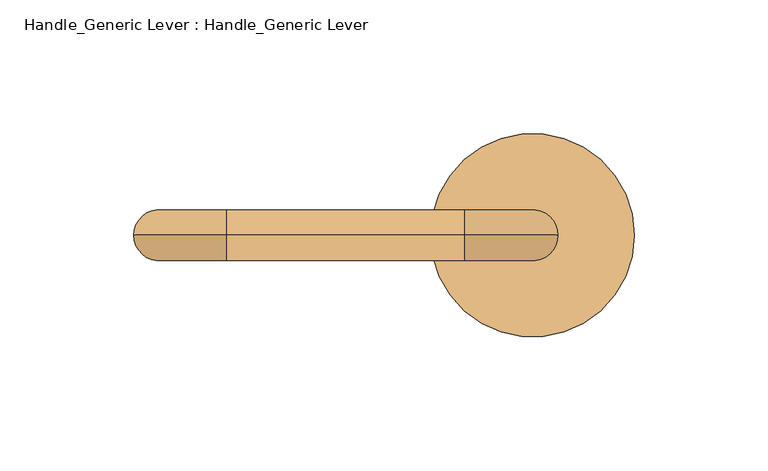
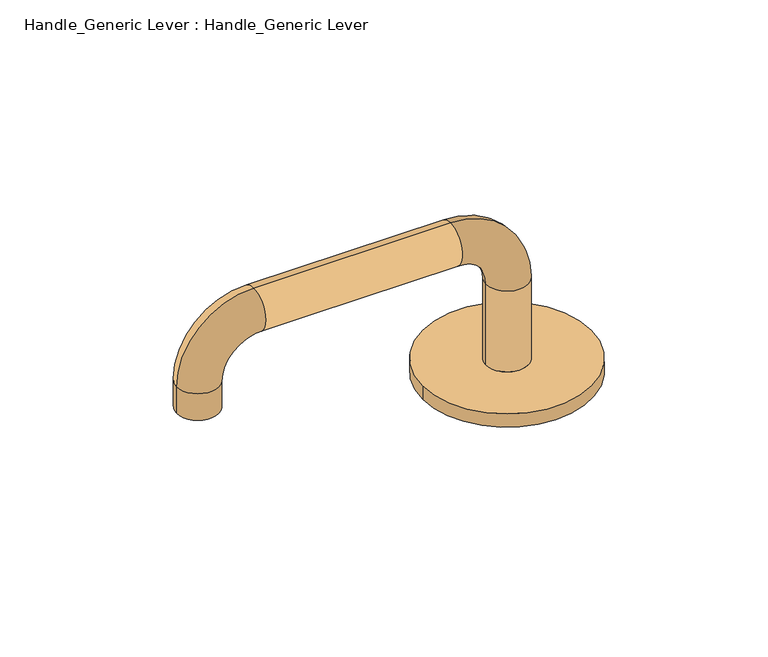
"""IFC4 building model written with IfcOpenShell, lengths in millimetres: door geometry, Handle_Generic Lever : Handle_Generic Lever."""

from ifc_helpers import new_model, si_unit, point, frame, origin, origin_with_axes, place, context, project, spatial, circle_curve, ellipse_curve, trimmed, source, transform, mapped, element, save
from ifc_brep_helpers import plane_surface, cylinder_surface, revolved_surface, advanced_brep


def handle_generic_lever_handle_generic_lever_36561c24(model_context):
    return source(origin(), model_context, "Body", "AdvancedBrep", [
        advanced_brep(
        [(-38.1, 0.0, 0.0), (38.1, 0.0, 0.0), (-9.525, 0.0, 44.8337088), (-9.525, 0.0, 6.35), (9.525, 0.0, 6.35), (9.525, 0.0, 44.8337088), (-25.4, 0.0, 79.7587088), (-25.4, 0.0, 60.7087088), (-114.3, 0.0, 79.7587088), (-114.3, 0.0, 60.7087088), (-149.225, 0.0, 44.8337088), (-130.175, 0.0, 44.8337088), (-130.175, 0.0, 32.1337088), (-149.225, 0.0, 32.1337088), (-38.1, 0.0, 6.35), (38.1, 0.0, 6.35)],
        [
            (0, 1, circle_curve(frame((0.0, 0.0, 0.0), z_axis=(0.0, 0.0, -1.0), x_axis=(1.0, 0.0, 0.0)), 38.1)),
            (1, 0, circle_curve(frame((0.0, 0.0, 0.0), z_axis=(0.0, 0.0, -1.0), x_axis=(1.0, 0.0, 0.0)), 38.1)),
            (2, 3),
            (3, 4, circle_curve(frame((0.0, 0.0, 6.35), z_axis=(0.0, 0.0, 1.0), x_axis=(1.0, 0.0, 0.0)), 9.525)),
            (4, 5),
            (5, 2, circle_curve(frame((0.0, 0.0, 44.8337088), z_axis=(0.0, 0.0, -1.0), x_axis=(1.0, 0.0, 0.0)), 9.525)),
            (4, 3, circle_curve(frame((0.0, 0.0, 6.35), z_axis=(0.0, 0.0, 1.0), x_axis=(1.0, 0.0, 0.0)), 9.525)),
            (2, 5, circle_curve(frame((0.0, 0.0, 44.8337088), z_axis=(0.0, 0.0, -1.0), x_axis=(1.0, 0.0, 0.0)), 9.525)),
            (5, 6, circle_curve(frame((-25.4, 0.0, 44.8337088), z_axis=(0.0, -1.0, 0.0), x_axis=(1.0, 0.0, 0.0)), 34.925)),
            (6, 7, circle_curve(frame((-25.4, 0.0, 70.2337088), z_axis=(1.0, 0.0, 0.0), x_axis=(0.0, 0.0, 1.0)), 9.525)),
            (7, 2, circle_curve(frame((-25.4, 0.0, 44.8337088), z_axis=(0.0, 1.0, 0.0), x_axis=(1.0, 0.0, 0.0)), 15.875)),
            (7, 6, circle_curve(frame((-25.4, 0.0, 70.2337088), z_axis=(1.0, 0.0, 0.0), x_axis=(0.0, 0.0, 1.0)), 9.525)),
            (6, 8),
            (8, 9, circle_curve(frame((-114.3, 0.0, 70.2337088), z_axis=(1.0, 0.0, 0.0), x_axis=(0.0, 0.0, 1.0)), 9.525)),
            (9, 7),
            (9, 8, circle_curve(frame((-114.3, 0.0, 70.2337088), z_axis=(1.0, 0.0, 0.0), x_axis=(0.0, 0.0, 1.0)), 9.525)),
            (8, 10, circle_curve(frame((-114.3, 0.0, 44.8337088), z_axis=(0.0, -1.0, 0.0), x_axis=(0.0, 0.0, 1.0)), 34.925)),
            (10, 11, circle_curve(frame((-139.7, 0.0, 44.8337088), z_axis=(0.0, 0.0, 1.0), x_axis=(-1.0, 0.0, 0.0)), 9.525)),
            (11, 9, circle_curve(frame((-114.3, 0.0, 44.8337088), z_axis=(0.0, 1.0, 0.0), x_axis=(0.0, 0.0, 1.0)), 15.875)),
            (11, 10, circle_curve(frame((-139.7, 0.0, 44.8337088), z_axis=(0.0, 0.0, 1.0), x_axis=(-1.0, 0.0, 0.0)), 9.525)),
            (12, 13, circle_curve(frame((-139.7, 0.0, 32.1337088), z_axis=(0.0, 0.0, -1.0), x_axis=(-1.0, 0.0, 0.0)), 9.525)),
            (13, 12, circle_curve(frame((-139.7, 0.0, 32.1337088), z_axis=(0.0, 0.0, -1.0), x_axis=(-1.0, 0.0, 0.0)), 9.525)),
            (10, 13),
            (12, 11),
            (14, 15, circle_curve(frame((0.0, 0.0, 6.35), z_axis=(0.0, 0.0, 1.0), x_axis=(1.0, 0.0, 0.0)), 38.1)),
            (15, 14, circle_curve(frame((0.0, 0.0, 6.35), z_axis=(0.0, 0.0, 1.0), x_axis=(1.0, 0.0, 0.0)), 38.1)),
            (15, 1),
            (0, 14),
        ],
        [
            plane_surface(frame((0.0, 0.0, 0.0), z_axis=(0.0, 0.0, -1.0), x_axis=(0.0, 1.0, 0.0))),
            cylinder_surface(frame((0.0, 0.0, 0.0), z_axis=(0.0, 0.0, -1.0), x_axis=(1.0, 0.0, 0.0)), 9.525),
            revolved_surface(trimmed(ellipse_curve(frame((0.0, 0.0, 44.8337088), z_axis=(0.0, 0.0, 1.0), x_axis=(1.0, 0.0, 0.0)), 9.525, 9.525), [point((-9.525, 0.0, 44.8337088))], [point((9.525, 0.0, 44.8337088))], True, "CARTESIAN"), (-25.4, 0.0, 44.8337088), (0.0, 1.0, 0.0)),
            revolved_surface(trimmed(ellipse_curve(frame((0.0, 0.0, 44.8337088), z_axis=(0.0, 0.0, 1.0), x_axis=(1.0, 0.0, 0.0)), 9.525, 9.525), [point((9.525, 0.0, 44.8337088))], [point((-9.525, 0.0, 44.8337088))], True, "CARTESIAN"), (-25.4, 0.0, 44.8337088), (0.0, 1.0, 0.0)),
            cylinder_surface(frame((-25.4, 0.0, 70.2337088), z_axis=(1.0, 0.0, 0.0), x_axis=(0.0, 0.0, 1.0)), 9.525),
            revolved_surface(trimmed(ellipse_curve(frame((-114.3, 0.0, 70.2337088), z_axis=(-1.0, 0.0, 0.0), x_axis=(0.0, 0.0, 1.0)), 9.525, 9.525), [point((-114.3, 0.0, 60.7087088))], [point((-114.3, 0.0, 79.7587088))], True, "CARTESIAN"), (-114.3, 0.0, 44.8337088), (0.0, 1.0, 0.0)),
            revolved_surface(trimmed(ellipse_curve(frame((-114.3, 0.0, 70.2337088), z_axis=(-1.0, 0.0, 0.0), x_axis=(0.0, 0.0, 1.0)), 9.525, 9.525), [point((-114.3, 0.0, 79.7587088))], [point((-114.3, 0.0, 60.7087088))], True, "CARTESIAN"), (-114.3, 0.0, 44.8337088), (0.0, 1.0, 0.0)),
            plane_surface(frame((-139.7, 0.0, 32.1337088), z_axis=(0.0, 0.0, -1.0), x_axis=(0.0, 1.0, 0.0))),
            cylinder_surface(frame((-139.7, 0.0, 44.8337088), z_axis=(0.0, 0.0, 1.0), x_axis=(-1.0, 0.0, 0.0)), 9.525),
            plane_surface(frame((38.1, 0.0, 6.35), z_axis=(0.0, 0.0, 1.0), x_axis=(0.0, -1.0, 0.0))),
            cylinder_surface(origin_with_axes(), 38.1),
        ],
        [
            (0, [[1, 2]]),
            (1, [[3, 4, 5, 6]]),
            (1, [[-5, 7, -3, 8]]),
            (2, [[9, 10, 11, -6]]),
            (3, [[-11, 12, -9, -8]]),
            (4, [[13, 14, 15, -10]]),
            (4, [[-15, 16, -13, -12]]),
            (5, [[17, 18, 19, -14]]),
            (6, [[-19, 20, -17, -16]]),
            (7, [[21, 22]]),
            (8, [[23, -21, 24, -18]]),
            (8, [[-24, -22, -23, -20]]),
            (9, [[25, 26], [-7, -4]]),
            (10, [[27, -1, 28, -26]]),
            (10, [[-28, -2, -27, -25]]),
        ],
    ),
    ])


if __name__ == "__main__":
    model = new_model("IFC4")
    model_context = context("Model", 3, world=origin())
    ifc_project = project(units=[si_unit("LENGTHUNIT", "METRE", prefix="MILLI")], contexts=[model_context])
    site = spatial("IfcSite", under=ifc_project)
    building = spatial("IfcBuilding", under=site)
    placement = place(None, origin())
    handle_generic_lever_handle_generic_lever_shape = handle_generic_lever_handle_generic_lever_36561c24(model_context)
    element("IfcDoor", 1, ObjectType="Handle_Generic Lever : Handle_Generic Lever", at=placement, inside=building, context=model_context, shape_type="MappedRepresentation", body=[
        mapped(handle_generic_lever_handle_generic_lever_shape, transform((0.0, 0.0, 0.0), x_axis=(1.0, 0.0, 0.0), y_axis=(0.0, 1.0, 0.0), z_axis=(0.0, 0.0, 1.0))),
    ])
    save(model, "model.ifc")
